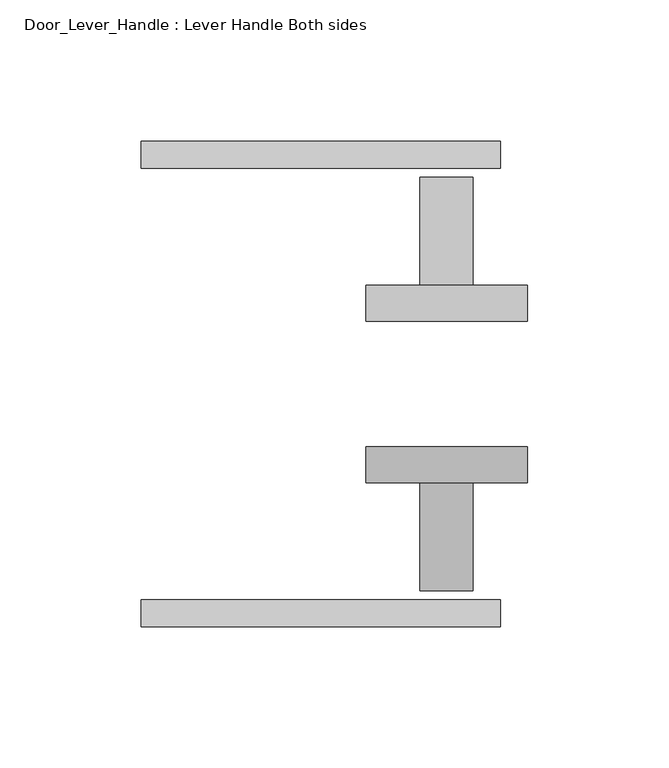
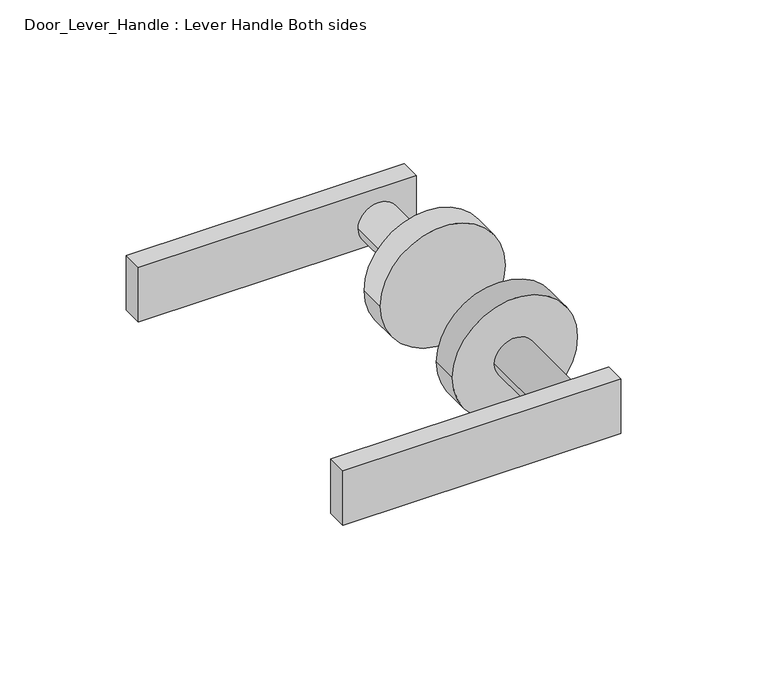
"""IFC4 building model written with IfcOpenShell, lengths in millimetres: proxy geometry, Door_Lever_Handle : Lever Handle Both sides."""

from ifc_helpers import new_model, si_unit, point, frame, frame_2d, origin, place, context, project, spatial, polyline, circle_curve, trimmed, segment, composite_curve, outline, extrude, source, transform, mapped, element, save


def door_lever_handle_lever_handle_both_sides_05708b30(model_context):
    return source(origin(), model_context, "Body", "SweptSolid", [
        extrude(outline(polyline([(46.2154449, -53.975), (46.2154449, -63.5), (-80.7845551, -63.5), (-80.7845551, -53.975), (46.2154449, -53.975)])), frame((0.0, 0.0, -12.6057886), z_axis=(0.0, 0.0, 1.0), x_axis=(1.0, 0.0, 0.0)), (0.0, 0.0, 1.0), 26.3430572),
        extrude(outline(polyline([(-80.7845551, 98.425), (-80.7845551, 107.95), (46.2154449, 107.95), (46.2154449, 98.425), (-80.7845551, 98.425)])), frame((0.0, 0.0, -12.6057886), z_axis=(0.0, 0.0, 1.0), x_axis=(1.0, 0.0, 0.0)), (0.0, 0.0, 1.0), 26.3430572),
        extrude(outline(composite_curve([segment(trimmed(circle_curve(frame_2d((0.0, 27.1654449)), 9.3846309), [point((0.0, 36.5500758))], [point((0.0, 17.780814))], False, "CARTESIAN"), True, "CONTINUOUS"), segment(trimmed(circle_curve(frame_2d((0.0, 27.1654449)), 9.3846309), [point((0.0, 17.780814))], [point((0.0, 36.5500758))], False, "CARTESIAN"), True, "CONTINUOUS")], self_intersect=False)), frame((0.0, 57.15, 0.0), z_axis=(0.0, 1.0, 0.0), x_axis=(0.0, 0.0, 1.0)), (0.0, 0.0, 1.0), 38.1),
        extrude(outline(composite_curve([segment(trimmed(circle_curve(frame_2d((0.0, 27.1654449)), 28.575), [point((0.0, 55.7404449))], [point((0.0, -1.4095551))], False, "CARTESIAN"), True, "CONTINUOUS"), segment(trimmed(circle_curve(frame_2d((0.0, 27.1654449)), 28.575), [point((0.0, -1.4095551))], [point((0.0, 55.7404449))], False, "CARTESIAN"), True, "CONTINUOUS")], self_intersect=False)), frame((0.0, 44.45, 0.0), z_axis=(0.0, 1.0, 0.0), x_axis=(0.0, 0.0, 1.0)), (0.0, 0.0, 1.0), 12.7),
        extrude(outline(composite_curve([segment(trimmed(circle_curve(frame_2d((0.0, 27.1654449)), 9.3846309), [point((0.0, 17.780814))], [point((0.0, 36.5500758))], False, "CARTESIAN"), True, "CONTINUOUS"), segment(trimmed(circle_curve(frame_2d((0.0, 27.1654449)), 9.3846309), [point((0.0, 36.5500758))], [point((0.0, 17.780814))], False, "CARTESIAN"), True, "CONTINUOUS")], self_intersect=False)), frame((0.0, -50.8, 0.0), z_axis=(0.0, 1.0, 0.0), x_axis=(0.0, 0.0, 1.0)), (0.0, 0.0, 1.0), 38.1),
        extrude(outline(composite_curve([segment(trimmed(circle_curve(frame_2d((0.0, 27.1654449)), 28.575), [point((0.0, -1.4095551))], [point((0.0, 55.7404449))], False, "CARTESIAN"), True, "CONTINUOUS"), segment(trimmed(circle_curve(frame_2d((0.0, 27.1654449)), 28.575), [point((0.0, 55.7404449))], [point((0.0, -1.4095551))], False, "CARTESIAN"), True, "CONTINUOUS")], self_intersect=False)), frame((0.0, -12.7, 0.0), z_axis=(0.0, 1.0, 0.0), x_axis=(0.0, 0.0, 1.0)), (0.0, 0.0, 1.0), 12.7),
    ])


if __name__ == "__main__":
    model = new_model("IFC4")
    model_context = context("Model", 3, world=origin())
    ifc_project = project(units=[si_unit("LENGTHUNIT", "METRE", prefix="MILLI")], contexts=[model_context])
    site = spatial("IfcSite", under=ifc_project)
    building = spatial("IfcBuilding", under=site)
    placement = place(None, origin())
    door_lever_handle_lever_handle_both_sides_shape = door_lever_handle_lever_handle_both_sides_05708b30(model_context)
    element("IfcBuildingElementProxy", 1, Name="Door_Lever_Handle : Lever Handle Both sides", ObjectType="Door_Lever_Handle : Lever Handle Both sides", at=placement, inside=building, context=model_context, shape_type="MappedRepresentation", body=[
        mapped(door_lever_handle_lever_handle_both_sides_shape, transform((0.0, 0.0, 0.0), x_axis=(1.0, 0.0, 0.0), y_axis=(0.0, 1.0, 0.0), z_axis=(0.0, 0.0, 1.0))),
    ])
    save(model, "model.ifc")
